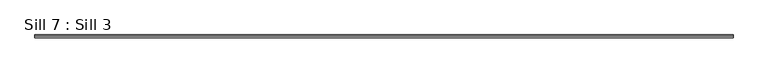
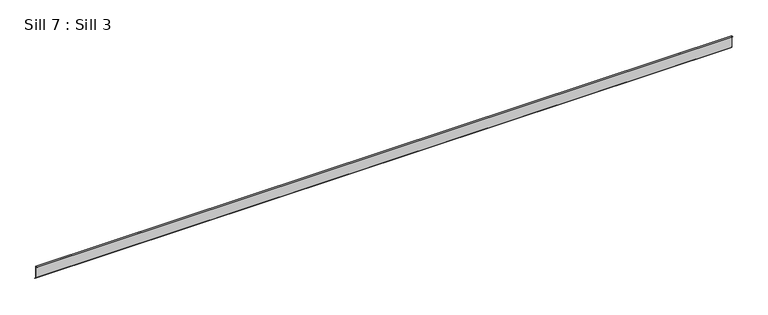
"""IFC4 building model written with IfcOpenShell, lengths in millimetres: proxy geometry, Sill 7 : Sill 3."""

from ifc_helpers import new_model, si_unit, frame, origin, place, context, project, spatial, polyline, outline, extrude, source, transform, mapped, element, save


def sill_7_sill_3_817f38e1(model_context):
    return source(origin(), model_context, "Body", "SweptSolid", [
        extrude(outline(polyline([(12808.9410165, -473.4890382), (12808.9410165, -555.7780834), (12817.4611326, -564.2981994), (12816.3351988, -565.4241331), (12807.3540994, -556.4430337), (12807.3540994, -475.0828794), (12796.812808, -475.0828794), (12796.812808, -473.4890382), (12808.9410165, -473.4890382)])), frame((-22835.7562657, 0.0, 0.0), z_axis=(1.0, 0.0, 0.0), x_axis=(0.0, 1.0, 0.0)), (0.0, 0.0, 1.0), 4761.6094418),
    ])


if __name__ == "__main__":
    model = new_model("IFC4")
    model_context = context("Model", 3, world=origin())
    ifc_project = project(units=[si_unit("LENGTHUNIT", "METRE", prefix="MILLI")], contexts=[model_context])
    site = spatial("IfcSite", under=ifc_project)
    building = spatial("IfcBuilding", under=site)
    placement = place(None, origin())
    sill_7_sill_3_shape = sill_7_sill_3_817f38e1(model_context)
    element("IfcBuildingElementProxy", 1, Name="Sill 7 : Sill 3", ObjectType="Sill 7 : Sill 3", at=placement, inside=building, context=model_context, shape_type="MappedRepresentation", body=[
        mapped(sill_7_sill_3_shape, transform((0.0, 0.0, 0.0), x_axis=(1.0, 0.0, 0.0), y_axis=(0.0, 1.0, 0.0), z_axis=(0.0, 0.0, 1.0))),
    ])
    save(model, "model.ifc")
